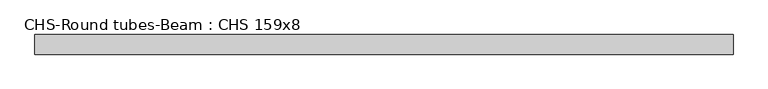
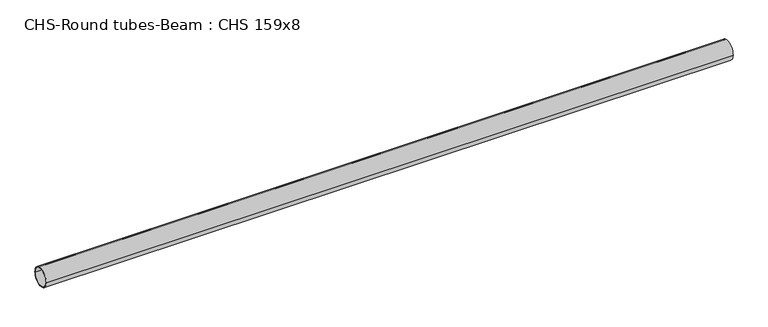
"""IFC4 building model written with IfcOpenShell, lengths in millimetres: beam geometry, CHS-Round tubes-Beam : CHS 159x8."""

from ifc_helpers import new_model, si_unit, point, frame, origin, origin_2d, place, context, project, spatial, circle_curve, trimmed, segment, composite_curve, outline, extrude, source, transform, mapped, element, save


def chs_round_tubes_beam_chs_159x8_0a2ac7aa(model_context):
    return source(origin(), model_context, "Body", "SweptSolid", [
        extrude(outline(composite_curve([segment(trimmed(circle_curve(origin_2d(), 79.5), [point((79.5, 0.0))], [point((-79.5, 0.0))], False, "CARTESIAN"), True, "CONTINUOUS"), segment(trimmed(circle_curve(origin_2d(), 79.5), [point((-79.5, 0.0))], [point((79.5, 0.0))], False, "CARTESIAN"), True, "CONTINUOUS")], self_intersect=False), holes=[composite_curve([segment(trimmed(circle_curve(origin_2d(), 71.5), [point((71.5, 0.0))], [point((-71.5, 0.0))], True, "CARTESIAN"), True, "CONTINUOUS"), segment(trimmed(circle_curve(origin_2d(), 71.5), [point((-71.5, 0.0))], [point((71.5, 0.0))], True, "CARTESIAN"), True, "CONTINUOUS")], self_intersect=False)]), frame((-2713.5875543, 0.0, 0.0), z_axis=(1.0, 0.0, 0.0), x_axis=(0.0, 1.0, 0.0)), (0.0, 0.0, 1.0), 5653.6682064),
    ])


if __name__ == "__main__":
    model = new_model("IFC4")
    model_context = context("Model", 3, world=origin())
    ifc_project = project(units=[si_unit("LENGTHUNIT", "METRE", prefix="MILLI")], contexts=[model_context])
    site = spatial("IfcSite", under=ifc_project)
    building = spatial("IfcBuilding", under=site)
    placement = place(None, origin())
    chs_round_tubes_beam_chs_159x8_shape = chs_round_tubes_beam_chs_159x8_0a2ac7aa(model_context)
    element("IfcBeam", 1, ObjectType="CHS-Round tubes-Beam : CHS 159x8", at=placement, inside=building, context=model_context, shape_type="MappedRepresentation", body=[
        mapped(chs_round_tubes_beam_chs_159x8_shape, transform((0.0, 0.0, 0.0), x_axis=(1.0, 0.0, 0.0), y_axis=(0.0, 1.0, 0.0), z_axis=(0.0, 0.0, 1.0))),
    ])
    save(model, "model.ifc")
